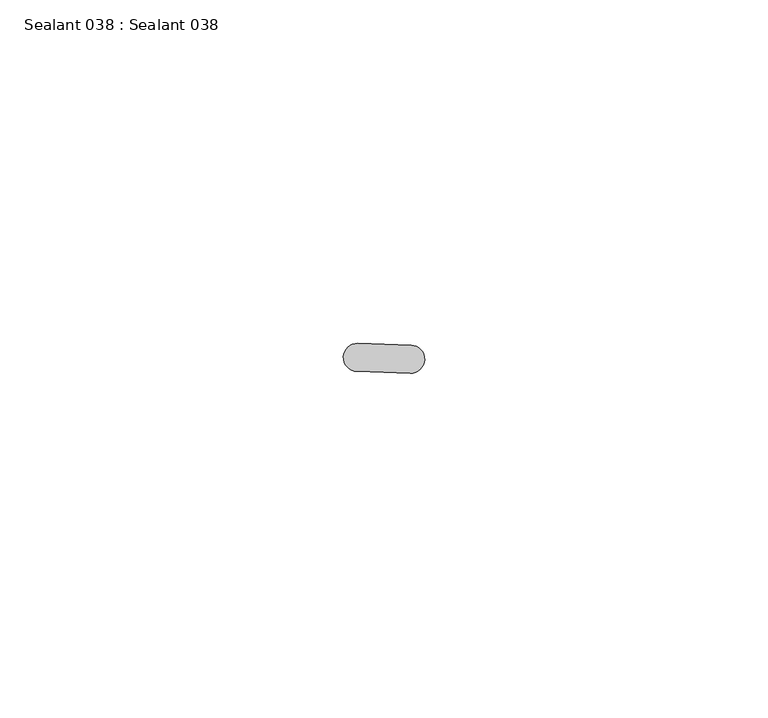
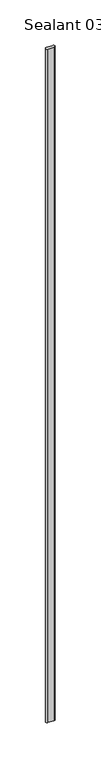
"""IFC4 building model written with IfcOpenShell, lengths in millimetres: proxy geometry, Sealant 038 : Sealant 038."""

from ifc_helpers import new_model, si_unit, point, frame, frame_2d, origin, place, context, project, spatial, polyline, circle_curve, trimmed, segment, composite_curve, outline, extrude, source, transform, mapped, element, save


def sealant_038_sealant_038_7cb4c418(model_context):
    return source(origin(), model_context, "Body", "SweptSolid", [
        extrude(outline(composite_curve([segment(trimmed(circle_curve(frame_2d((34550.9192253, -15547.563392)), 2.037109), [point((34550.8495526, -15549.5993091))], [point((34550.9888981, -15545.5274748))], False, "CARTESIAN"), True, "CONTINUOUS"), segment(polyline([(34550.9888981, -15545.5274748), (34558.7382693, -15545.7926722)]), True, "CONTINUOUS"), segment(trimmed(circle_curve(frame_2d((34558.6685966, -15547.8285894)), 2.037109), [point((34558.7382693, -15545.7926722))], [point((34558.5989238, -15549.8645066))], False, "CARTESIAN"), True, "CONTINUOUS"), segment(polyline([(34558.5989238, -15549.8645066), (34550.8495526, -15549.5993091)]), True, "CONTINUOUS")], self_intersect=False)), frame((0.0, 0.0, 1597.975708), z_axis=(0.0, 0.0, 1.0), x_axis=(1.0, 0.0, 0.0)), (0.0, 0.0, 1.0), 914.4),
    ])


if __name__ == "__main__":
    model = new_model("IFC4")
    model_context = context("Model", 3, world=origin())
    ifc_project = project(units=[si_unit("LENGTHUNIT", "METRE", prefix="MILLI")], contexts=[model_context])
    site = spatial("IfcSite", under=ifc_project)
    building = spatial("IfcBuilding", under=site)
    placement = place(None, origin())
    sealant_038_sealant_038_shape = sealant_038_sealant_038_7cb4c418(model_context)
    element("IfcBuildingElementProxy", 1, Name="Sealant 038 : Sealant 038", ObjectType="Sealant 038 : Sealant 038", at=placement, inside=building, context=model_context, shape_type="MappedRepresentation", body=[
        mapped(sealant_038_sealant_038_shape, transform((0.0, 0.0, 0.0), x_axis=(1.0, 0.0, 0.0), y_axis=(0.0, 1.0, 0.0), z_axis=(0.0, 0.0, 1.0))),
    ])
    save(model, "model.ifc")
